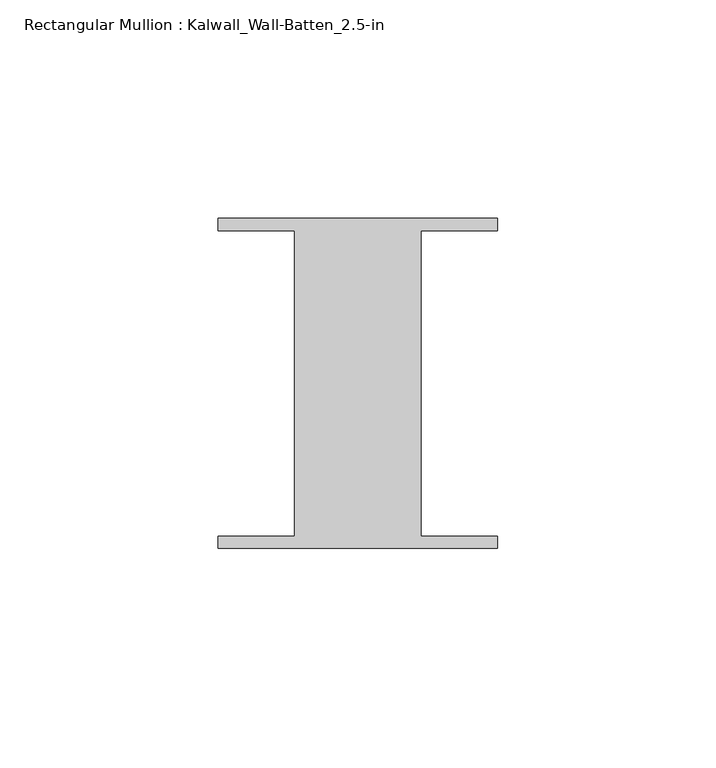
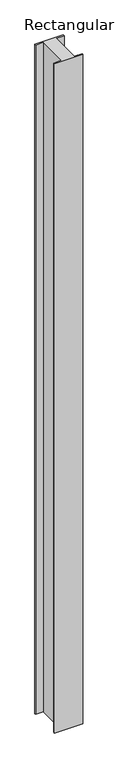
"""IFC4 building model written with IfcOpenShell, lengths in millimetres: member geometry, Rectangular Mullion : Kalwall_Wall-Batten_2.5-in."""

from ifc_helpers import new_model, si_unit, frame, origin, place, context, project, spatial, polyline, outline, extrude, source, transform, mapped, element, save


def rectangular_mullion_kalwall_wall_batten_2_5_in_36616c3f(model_context):
    return source(origin(), model_context, "Body", "SweptSolid", [
        extrude(outline(polyline([(-32.0, 36.524), (32.0, 36.524), (32.0, 33.73), (14.5, 33.73), (14.5, -36.27), (32.0, -36.27), (32.0, -39.064), (-32.0, -39.064), (-32.0, -36.27), (-14.5, -36.27), (-14.5, 33.73), (-32.0, 33.73), (-32.0, 36.524)])), frame((0.0, 0.0, -1584.956), z_axis=(0.0, 0.0, 1.0), x_axis=(1.0, 0.0, 0.0)), (0.0, 0.0, 1.0), 1584.956),
    ])


if __name__ == "__main__":
    model = new_model("IFC4")
    model_context = context("Model", 3, world=origin())
    ifc_project = project(units=[si_unit("LENGTHUNIT", "METRE", prefix="MILLI")], contexts=[model_context])
    site = spatial("IfcSite", under=ifc_project)
    building = spatial("IfcBuilding", under=site)
    placement = place(None, origin())
    rectangular_mullion_kalwall_wall_batten_2_5_in_shape = rectangular_mullion_kalwall_wall_batten_2_5_in_36616c3f(model_context)
    element("IfcMember", 1, ObjectType="Rectangular Mullion : Kalwall_Wall-Batten_2.5-in", at=placement, inside=building, context=model_context, shape_type="MappedRepresentation", body=[
        mapped(rectangular_mullion_kalwall_wall_batten_2_5_in_shape, transform((0.0, 0.0, 0.0), x_axis=(1.0, 0.0, 0.0), y_axis=(0.0, 1.0, 0.0), z_axis=(0.0, 0.0, 1.0))),
    ])
    save(model, "model.ifc")
